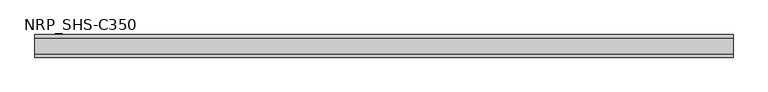
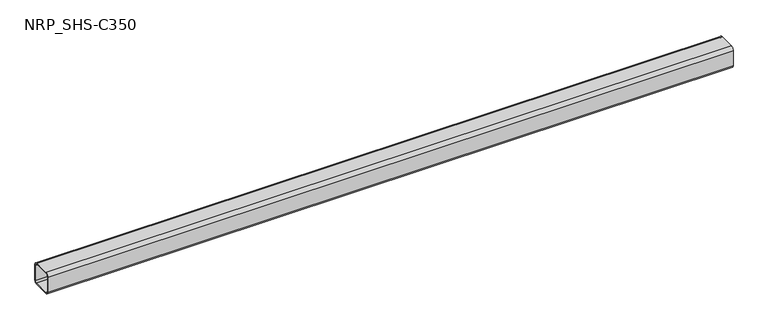
"""IFC4 building model written with IfcOpenShell, lengths in millimetres: member geometry, NRP_SHS-C350."""

from ifc_helpers import new_model, si_unit, point, frame, frame_2d, origin, place, context, project, spatial, polyline, circle_curve, trimmed, segment, composite_curve, outline, extrude, source, transform, mapped, element, save


def nrp_shs_c350_fc196b23(model_context):
    return source(origin(), model_context, "Body", "SweptSolid", [
        extrude(outline(composite_curve([segment(polyline([(44.5, 32.0), (44.5, -32.0)]), True, "CONTINUOUS"), segment(trimmed(circle_curve(frame_2d((32.0, -32.0)), 12.5), [point((44.5, -32.0))], [point((32.0, -44.5))], False, "CARTESIAN"), True, "CONTINUOUS"), segment(polyline([(32.0, -44.5), (-32.0, -44.5)]), True, "CONTINUOUS"), segment(trimmed(circle_curve(frame_2d((-32.0, -32.0)), 12.5), [point((-32.0, -44.5))], [point((-44.5, -32.0))], False, "CARTESIAN"), True, "CONTINUOUS"), segment(polyline([(-44.5, -32.0), (-44.5, 32.0)]), True, "CONTINUOUS"), segment(trimmed(circle_curve(frame_2d((-32.0, 32.0)), 12.5), [point((-44.5, 32.0))], [point((-32.0, 44.5))], False, "CARTESIAN"), True, "CONTINUOUS"), segment(polyline([(-32.0, 44.5), (32.0, 44.5)]), True, "CONTINUOUS"), segment(trimmed(circle_curve(frame_2d((32.0, 32.0)), 12.5), [point((32.0, 44.5))], [point((44.5, 32.0))], False, "CARTESIAN"), True, "CONTINUOUS")], self_intersect=False), holes=[composite_curve([segment(trimmed(circle_curve(frame_2d((-32.0, 32.0)), 7.5), [point((-32.0, 39.5))], [point((-39.5, 32.0))], True, "CARTESIAN"), True, "CONTINUOUS"), segment(polyline([(-39.5, 32.0), (-39.5, -32.0)]), True, "CONTINUOUS"), segment(trimmed(circle_curve(frame_2d((-32.0, -32.0)), 7.5), [point((-39.5, -32.0))], [point((-32.0, -39.5))], True, "CARTESIAN"), True, "CONTINUOUS"), segment(polyline([(-32.0, -39.5), (32.0, -39.5)]), True, "CONTINUOUS"), segment(trimmed(circle_curve(frame_2d((32.0, -32.0)), 7.5), [point((32.0, -39.5))], [point((39.5, -32.0))], True, "CARTESIAN"), True, "CONTINUOUS"), segment(polyline([(39.5, -32.0), (39.5, 32.0)]), True, "CONTINUOUS"), segment(trimmed(circle_curve(frame_2d((32.0, 32.0)), 7.5), [point((39.5, 32.0))], [point((32.0, 39.5))], True, "CARTESIAN"), True, "CONTINUOUS"), segment(polyline([(32.0, 39.5), (-32.0, 39.5)]), True, "CONTINUOUS")], self_intersect=False)]), frame((-1372.0, 0.0, 0.0), z_axis=(1.0, 0.0, 0.0), x_axis=(0.0, 1.0, 0.0)), (0.0, 0.0, 1.0), 2749.0),
    ])


if __name__ == "__main__":
    model = new_model("IFC4")
    model_context = context("Model", 3, world=origin())
    ifc_project = project(units=[si_unit("LENGTHUNIT", "METRE", prefix="MILLI")], contexts=[model_context])
    site = spatial("IfcSite", under=ifc_project)
    building = spatial("IfcBuilding", under=site)
    placement = place(None, origin())
    nrp_shs_c350_shape = nrp_shs_c350_fc196b23(model_context)
    element("IfcMember", 1, ObjectType="NRP_SHS-C350", at=placement, inside=building, context=model_context, shape_type="MappedRepresentation", body=[
        mapped(nrp_shs_c350_shape, transform((0.0, 0.0, 0.0), x_axis=(1.0, 0.0, 0.0), y_axis=(0.0, 1.0, 0.0), z_axis=(0.0, 0.0, 1.0))),
    ])
    save(model, "model.ifc")
